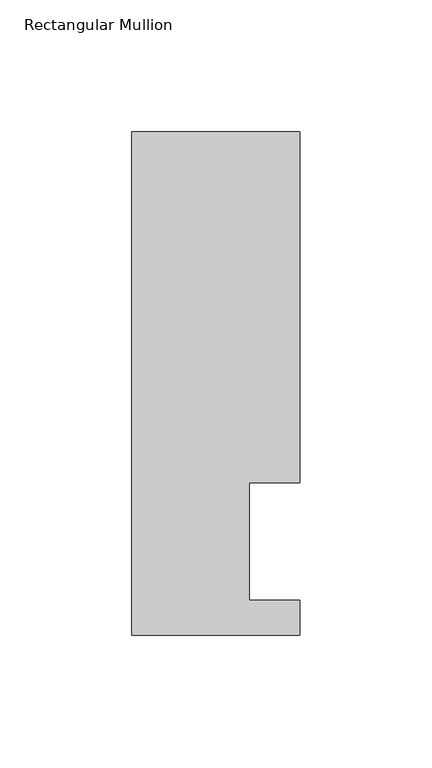
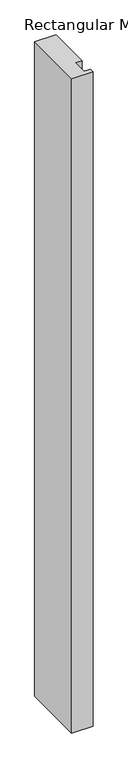
"""IFC4 building model written with IfcOpenShell, lengths in millimetres: member geometry, Rectangular Mullion."""

from ifc_helpers import new_model, si_unit, frame, origin, place, context, project, spatial, polyline, outline, extrude, source, transform, mapped, element, save


def rectangular_mullion_4e4973e6(model_context):
    return source(origin(), model_context, "Body", "SweptSolid", [
        extrude(outline(polyline([(-31.75, 190.5896938), (31.75, 190.5896938), (31.75, 57.6460937), (12.7, 57.6460937), (12.7, 13.1960938), (31.75, 13.1960938), (31.75, 0.0134938), (-31.75, 0.0134938), (-31.75, 190.5896938)])), frame((0.0, 0.0, -2057.4), z_axis=(0.0, 0.0, 1.0), x_axis=(1.0, 0.0, 0.0)), (0.0, 0.0, 1.0), 2057.4),
    ])


if __name__ == "__main__":
    model = new_model("IFC4")
    model_context = context("Model", 3, world=origin())
    ifc_project = project(units=[si_unit("LENGTHUNIT", "METRE", prefix="MILLI")], contexts=[model_context])
    site = spatial("IfcSite", under=ifc_project)
    building = spatial("IfcBuilding", under=site)
    placement = place(None, origin())
    rectangular_mullion_shape = rectangular_mullion_4e4973e6(model_context)
    element("IfcMember", 1, ObjectType="Rectangular Mullion", at=placement, inside=building, context=model_context, shape_type="MappedRepresentation", body=[
        mapped(rectangular_mullion_shape, transform((0.0, 0.0, 0.0), x_axis=(1.0, 0.0, 0.0), y_axis=(0.0, 1.0, 0.0), z_axis=(0.0, 0.0, 1.0))),
    ])
    save(model, "model.ifc")
